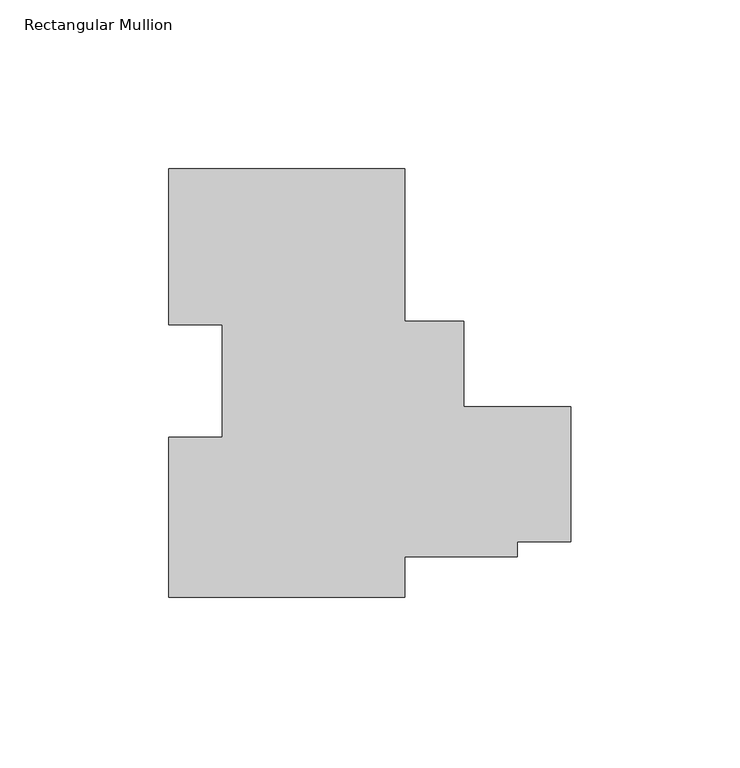
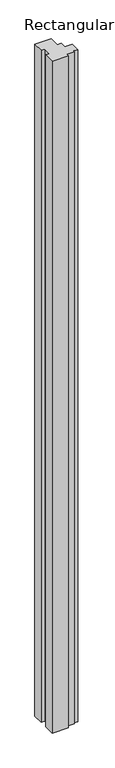
"""IFC4 building model written with IfcOpenShell, lengths in millimetres: member geometry, Rectangular Mullion."""

from ifc_helpers import new_model, si_unit, frame, origin, place, context, project, spatial, polyline, outline, extrude, source, transform, mapped, element, save


def rectangular_mullion_d68d2efa(model_context):
    return source(origin(), model_context, "Body", "SweptSolid", [
        extrude(outline(polyline([(-119.1656857, -63.5), (-119.1656857, -16.0459314), (-103.2906857, -16.0459314), (-103.2906857, 17.31709), (-119.1656857, 17.31709), (-119.1656857, 63.5), (-49.2233693, 63.5), (-49.2233693, 18.3262954), (-31.74817, 18.3262954), (-31.74817, -7.0656822), (0.0, -7.0656822), (0.0, -47.0706822), (-15.8740905, -47.0706822), (-15.8740905, -51.5156822), (-49.22337, -51.5156822), (-49.22337, -63.5), (-119.1656857, -63.5)])), frame((0.0, 0.0, -3048.0), z_axis=(0.0, 0.0, 1.0), x_axis=(1.0, 0.0, 0.0)), (0.0, 0.0, 1.0), 3048.0),
    ])


if __name__ == "__main__":
    model = new_model("IFC4")
    model_context = context("Model", 3, world=origin())
    ifc_project = project(units=[si_unit("LENGTHUNIT", "METRE", prefix="MILLI")], contexts=[model_context])
    site = spatial("IfcSite", under=ifc_project)
    building = spatial("IfcBuilding", under=site)
    placement = place(None, origin())
    rectangular_mullion_shape = rectangular_mullion_d68d2efa(model_context)
    element("IfcMember", 1, ObjectType="Rectangular Mullion", at=placement, inside=building, context=model_context, shape_type="MappedRepresentation", body=[
        mapped(rectangular_mullion_shape, transform((0.0, 0.0, 0.0), x_axis=(1.0, 0.0, 0.0), y_axis=(0.0, 1.0, 0.0), z_axis=(0.0, 0.0, 1.0))),
    ])
    save(model, "model.ifc")
